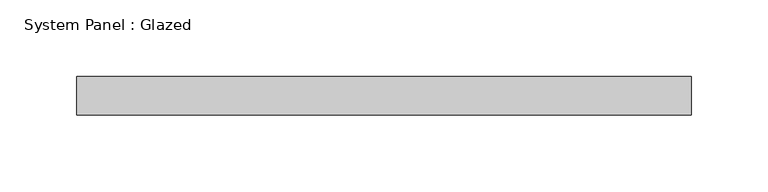
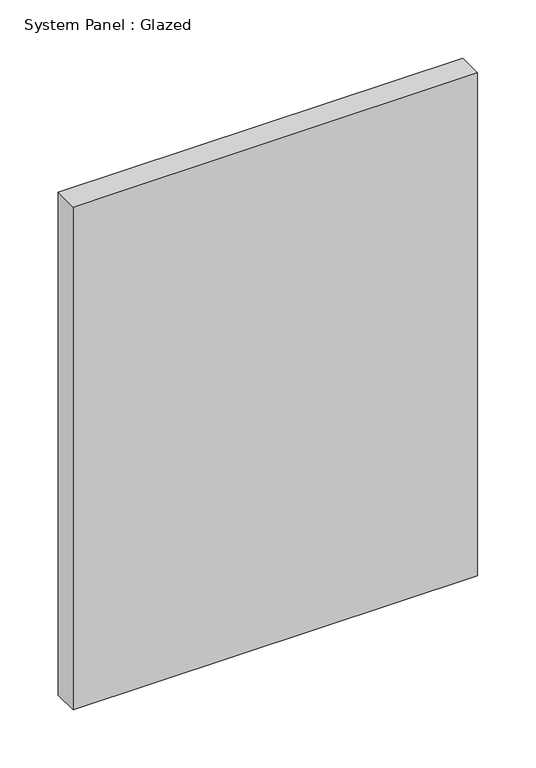
"""IFC4 building model written with IfcOpenShell, lengths in millimetres: plate geometry, System Panel : Glazed."""

from ifc_helpers import new_model, si_unit, origin, origin_with_axes, place, context, project, spatial, polyline, outline, extrude, source, transform, mapped, element, save


def system_panel_glazed_1eaabdb2(model_context):
    return source(origin(), model_context, "Body", "SweptSolid", [
        extrude(outline(polyline([(200.0, -49.5), (-200.0, -49.5), (-200.0, -24.5), (200.0, -24.5), (200.0, -49.5)])), origin_with_axes(), (0.0, 0.0, 1.0), 525.0),
    ])


if __name__ == "__main__":
    model = new_model("IFC4")
    model_context = context("Model", 3, world=origin())
    ifc_project = project(units=[si_unit("LENGTHUNIT", "METRE", prefix="MILLI")], contexts=[model_context])
    site = spatial("IfcSite", under=ifc_project)
    building = spatial("IfcBuilding", under=site)
    placement = place(None, origin())
    system_panel_glazed_shape = system_panel_glazed_1eaabdb2(model_context)
    element("IfcPlate", 1, ObjectType="System Panel : Glazed", at=placement, inside=building, context=model_context, shape_type="MappedRepresentation", body=[
        mapped(system_panel_glazed_shape, transform((0.0, 0.0, 0.0), x_axis=(1.0, 0.0, 0.0), y_axis=(0.0, 1.0, 0.0), z_axis=(0.0, 0.0, 1.0))),
    ])
    save(model, "model.ifc")
